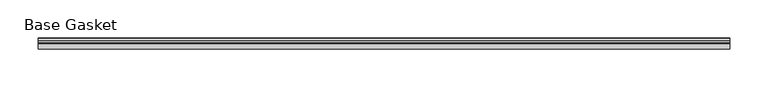
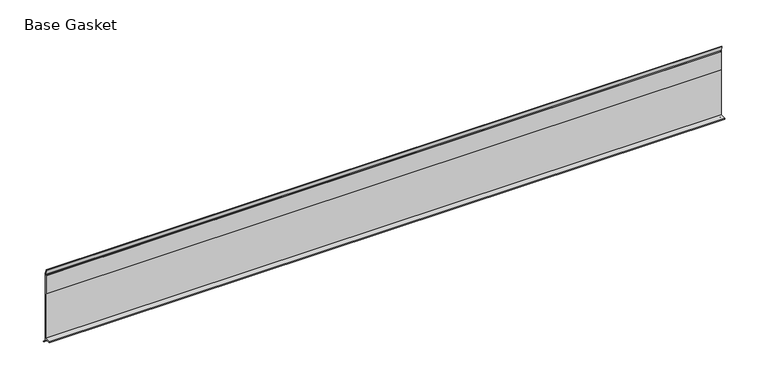
"""IFC4 building model written with IfcOpenShell, lengths in millimetres: furniture geometry, Base Gasket."""

from ifc_helpers import new_model, si_unit, frame, origin, place, context, project, spatial, polyline, outline, extrude, source, transform, mapped, element, save


def base_gasket_98d60462(model_context):
    return source(origin(), model_context, "Body", "SweptSolid", [
        extrude(outline(polyline([(3.7283812, 98.4568417), (3.7283812, 4.3498477), (7.4222115, 0.6560174), (7.8482342, 0.0), (6.8281054, 0.3520979), (2.2043812, 4.3498477), (2.1334222, 6.3818476), (-6.2405171, 6.3818476), (-6.2405171, 7.9398773), (2.2043812, 7.9398773), (2.2043812, 71.4693447), (1.4106313, 71.4693447), (1.4106313, 96.8693477), (2.2043812, 96.8693477), (2.2043812, 98.4568417), (0.6755308, 104.4162708), (0.6755308, 105.2002997), (1.1891543, 104.587663), (3.7283812, 98.4568417)])), frame((-1527.8982117, 0.0, 0.0), z_axis=(1.0, 0.0, 0.0), x_axis=(0.0, 1.0, 0.0)), (0.0, 0.0, 1.0), 901.7),
    ])


if __name__ == "__main__":
    model = new_model("IFC4")
    model_context = context("Model", 3, world=origin())
    ifc_project = project(units=[si_unit("LENGTHUNIT", "METRE", prefix="MILLI")], contexts=[model_context])
    site = spatial("IfcSite", under=ifc_project)
    building = spatial("IfcBuilding", under=site)
    placement = place(None, origin())
    base_gasket_shape = base_gasket_98d60462(model_context)
    element("IfcFurniture", 1, ObjectType="Base Gasket", at=placement, inside=building, context=model_context, shape_type="MappedRepresentation", body=[
        mapped(base_gasket_shape, transform((0.0, 0.0, 0.0), x_axis=(1.0, 0.0, 0.0), y_axis=(0.0, 1.0, 0.0), z_axis=(0.0, 0.0, 1.0))),
    ])
    save(model, "model.ifc")
